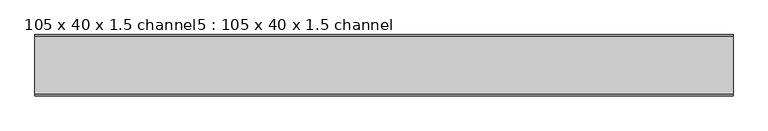
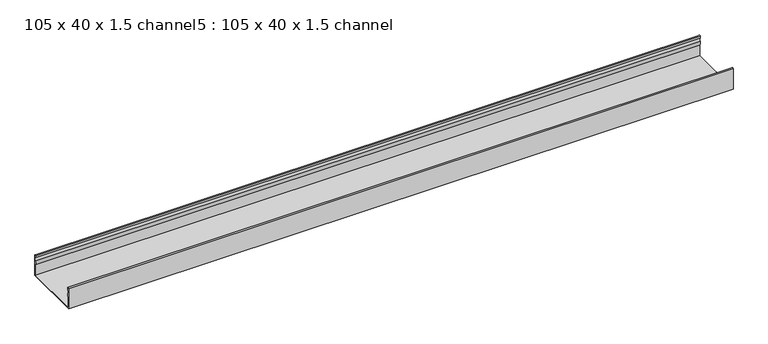
"""IFC4 building model written with IfcOpenShell, lengths in millimetres: proxy geometry, 105 x 40 x 1.5 channel5 : 105 x 40 x 1.5 channel."""

from ifc_helpers import new_model, si_unit, point, frame, frame_2d, origin, place, context, project, spatial, polyline, circle_curve, trimmed, segment, composite_curve, outline, extrude, source, transform, mapped, element, save


def proxy_105_x_40_x_1_5_channel5_105_x_40_x_1_5_channel_16c7bcdd(model_context):
    return source(origin(), model_context, "Body", "SweptSolid", [
        extrude(outline(composite_curve([segment(trimmed(circle_curve(frame_2d((-25047.5343538, 32.0)), 10.0), [point((-25037.9590458, 29.1166898))], [point((-25037.9590458, 34.8833102))], True, "CARTESIAN"), True, "CONTINUOUS"), segment(polyline([(-25037.9590458, 34.8833102), (-25038.5343538, 38.8)]), True, "CONTINUOUS"), segment(trimmed(circle_curve(frame_2d((-25037.3343538, 38.8)), 1.2), [point((-25038.5343538, 38.8))], [point((-25036.1343538, 38.8))], False, "CARTESIAN"), True, "CONTINUOUS"), segment(polyline([(-25036.1343538, 38.8), (-25036.1343538, 0.0), (-25141.4343538, 0.0), (-25141.4343538, 38.8)]), True, "CONTINUOUS"), segment(trimmed(circle_curve(frame_2d((-25140.2343538, 38.8)), 1.2), [point((-25141.4343538, 38.8))], [point((-25139.0343538, 38.8))], False, "CARTESIAN"), True, "CONTINUOUS"), segment(polyline([(-25139.0343538, 38.8), (-25139.6096617, 34.8833102)]), True, "CONTINUOUS"), segment(trimmed(circle_curve(frame_2d((-25130.0343538, 32.0)), 10.0), [point((-25139.6096617, 34.8833102))], [point((-25139.6096617, 29.1166898))], True, "CARTESIAN"), True, "CONTINUOUS"), segment(trimmed(circle_curve(frame_2d((-25149.0343538, 25.77376)), 10.0), [point((-25139.6096617, 29.1166898))], [point((-25140.0343538, 21.4148611))], False, "CARTESIAN"), True, "CONTINUOUS"), segment(polyline([(-25140.0343538, 21.4148611), (-25140.0343538, 1.4), (-25037.5343538, 1.4), (-25037.5343538, 21.4148611)]), True, "CONTINUOUS"), segment(trimmed(circle_curve(frame_2d((-25028.5343538, 25.77376)), 10.0), [point((-25037.5343538, 21.4148611))], [point((-25037.9590458, 29.1166898))], False, "CARTESIAN"), True, "CONTINUOUS")], self_intersect=False)), frame((3256.2644406, 0.0, 0.0), z_axis=(1.0, 0.0, 0.0), x_axis=(0.0, 1.0, 0.0)), (0.0, 0.0, 1.0), 1200.1845315),
    ])


if __name__ == "__main__":
    model = new_model("IFC4")
    model_context = context("Model", 3, world=origin())
    ifc_project = project(units=[si_unit("LENGTHUNIT", "METRE", prefix="MILLI")], contexts=[model_context])
    site = spatial("IfcSite", under=ifc_project)
    building = spatial("IfcBuilding", under=site)
    placement = place(None, origin())
    proxy_105_x_40_x_1_5_channel5_105_x_40_x_1_5_channel_shape = proxy_105_x_40_x_1_5_channel5_105_x_40_x_1_5_channel_16c7bcdd(model_context)
    element("IfcBuildingElementProxy", 1, Name="105 x 40 x 1.5 channel5 : 105 x 40 x 1.5 channel", ObjectType="105 x 40 x 1.5 channel5 : 105 x 40 x 1.5 channel", at=placement, inside=building, context=model_context, shape_type="MappedRepresentation", body=[
        mapped(proxy_105_x_40_x_1_5_channel5_105_x_40_x_1_5_channel_shape, transform((0.0, 0.0, 0.0), x_axis=(1.0, 0.0, 0.0), y_axis=(0.0, 1.0, 0.0), z_axis=(0.0, 0.0, 1.0))),
    ])
    save(model, "model.ifc")
